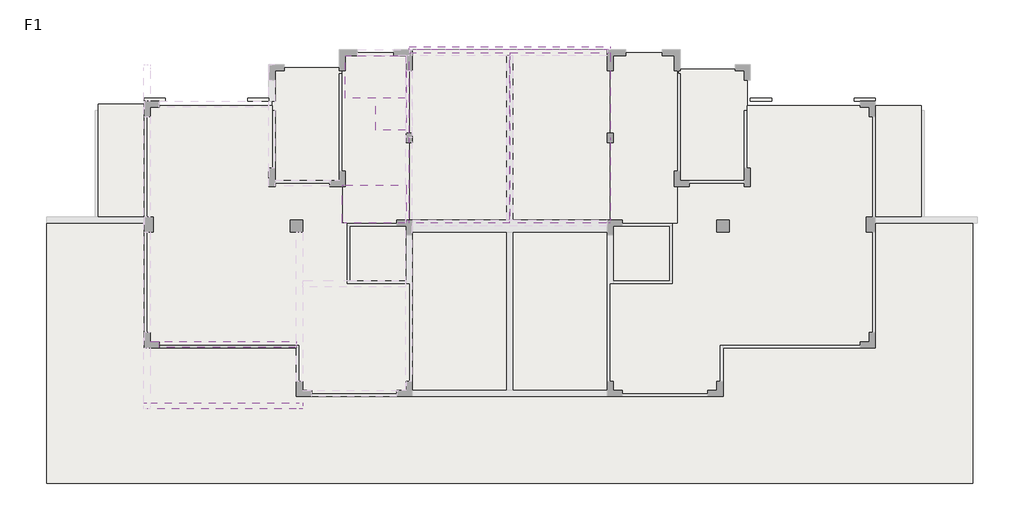
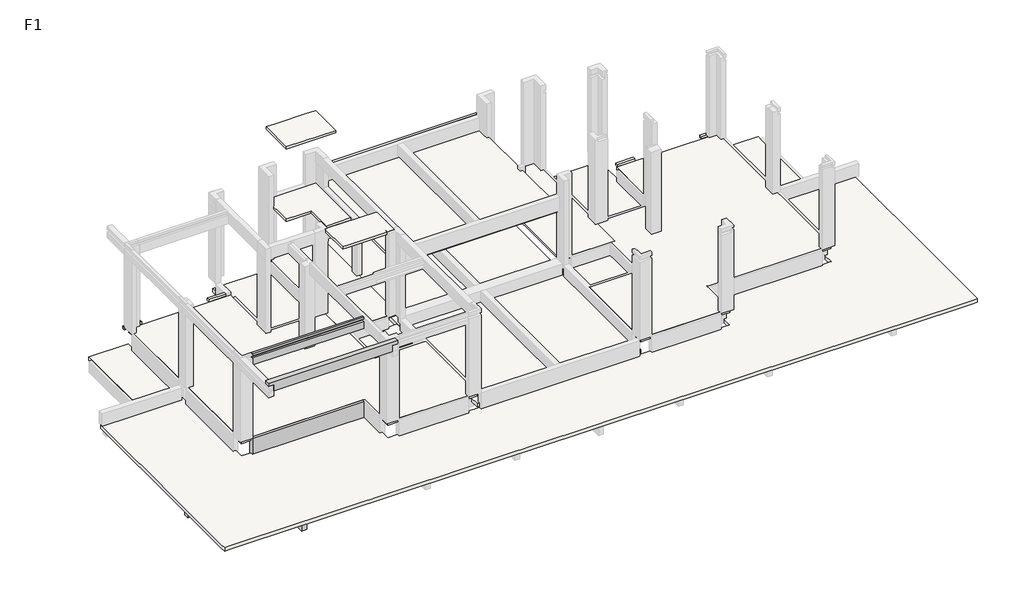
# One storey, part 1 of 4: 19 slabs, 5 beams.
"""IFC4 building model written with IfcOpenShell, lengths in millimetres."""

from ifc_helpers import new_model, si_unit, frame, origin, place, context, project, spatial, polyline, outline, extrude, faceted_brep, element, save

model = new_model("IFC4")

# Units and contexts
model_context = context("Model", 3, world=origin())
ifc_project = project(units=[si_unit("LENGTHUNIT", "METRE", prefix="MILLI")], contexts=[model_context])

# Site, building, storey
site = spatial("IfcSite", under=ifc_project)
building = spatial("IfcBuilding", under=site)
storey = spatial("IfcBuildingStorey", under=building, Name="F1", Elevation=-40.0)

# Beams
placement = place(None, origin())
element("IfcBeam", 1, at=placement, inside=storey, context=model_context, shape_type="Brep", body=[
    faceted_brep([(-15967.9488808, -4448.8065585, -1220.0), (-15967.9488808, -1748.8070515, -1220.0), (-15967.9488808, -1548.8070515, -1220.0), (-15967.9488808, -148.812102, -1220.0), (-15967.9488808, -148.812102, -870.0), (-15967.9488808, -1548.8070515, -870.0), (-15967.9488808, -1748.8070515, -870.0), (-15967.9488808, -4448.8065585, -870.0), (-16167.9488808, -148.812102, -1220.0), (-16167.9488808, -4448.8065585, -1220.0), (-16167.9488808, -1748.8070515, -1220.0), (-16167.9488808, -1548.8070515, -1220.0), (-16167.9488808, -4448.8065585, -870.0), (-16167.9488808, -1748.8070515, -870.0), (-16167.9488808, -1548.8070515, -870.0), (-16167.9488808, -148.812102, -870.0)], [[[0, 1, 2, 3, 4, 5, 6, 7]], [[8, 3, 2, 1, 0, 9, 10, 11]], [[8, 11, 10, 9, 12, 13, 14, 15]], [[3, 8, 15, 4]], [[9, 0, 7, 12]], [[7, 6, 5, 4, 15, 14, 13, 12]]]),
])
element("IfcBeam", 2, at=placement, inside=storey, context=model_context, shape_type="SweptSolid", body=[
    extrude(outline(polyline([(-11167.9488808, -1548.8070515), (-11167.9488808, -1748.8070515), (-15967.9488808, -1748.8070515), (-15967.9488808, -1548.8070515), (-11167.9488808, -1548.8070515)])), frame((0.0, 0.0, -1220.0), z_axis=(0.0, 0.0, 1.0), x_axis=(1.0, 0.0, 0.0)), (0.0, 0.0, 1.0), 350.0),
    extrude(outline(polyline([(-16167.9488808, -1548.8070515), (-16167.9488808, -1748.8070515), (-19217.9488808, -1748.8070515), (-19217.9488808, -1548.8070515), (-16167.9488808, -1548.8070515)])), frame((0.0, 0.0, -1220.0), z_axis=(0.0, 0.0, 1.0), x_axis=(1.0, 0.0, 0.0)), (0.0, 0.0, 1.0), 350.0),
])
element("IfcBeam", 3, at=placement, inside=storey, context=model_context, shape_type="SweptSolid", body=[
    extrude(outline(polyline([(51.187898, -890.0), (-148.812102, -890.0), (-148.812102, -870.0), (-48.812102, -870.0), (-48.812102, -720.0), (-148.812102, -720.0), (-148.812102, -40.0), (-48.812102, -40.0), (-48.812102, -190.0), (51.187898, -190.0), (51.187898, -890.0)])), frame((-15667.9488808, 0.0, 0.0), z_axis=(1.0, 0.0, 0.0), x_axis=(0.0, 1.0, 0.0)), (0.0, 0.0, 1.0), 4500.0),
])
element("IfcBeam", 4, at=placement, inside=storey, context=model_context, shape_type="Brep", body=[
    faceted_brep([(-10967.9863851, -2148.3046203, 3700.0), (-10967.9863851, -1948.3046203, 3700.0), (-16172.1845793, -1948.3046203, 3700.0), (-16172.1845793, -2148.3046203, 3700.0), (-10967.9863851, -2148.3046203, 3560.0), (-16172.1845793, -2148.3046203, 3560.0), (-15972.1845793, -2148.3046203, 3560.0), (-15972.1845793, -2148.3046203, 3300.0), (-11167.9863851, -2148.3046203, 3300.0), (-11167.9863851, -2148.3046203, 3560.0), (-11167.9863851, -1948.3046203, 3300.0), (-15972.1845793, -1948.3046203, 3300.0), (-11167.9863851, -1948.3046203, 3380.0), (-15972.1845793, -1948.3046203, 3380.0), (-10967.9863851, -1948.3046203, 3560.0), (-11167.9863851, -1948.3046203, 3560.0), (-11167.9863851, -2048.3046203, 3380.0), (-11167.9863851, -2048.3046203, 3480.0), (-11167.9863851, -1948.3046203, 3480.0), (-15972.1845793, -2048.3046203, 3380.0), (-15972.1845793, -2048.3046203, 3480.0), (-15972.1845793, -1948.3046203, 3480.0), (-16172.1845793, -1948.3046203, 3560.0), (-15972.1845793, -1948.3046203, 3560.0)], [[[0, 1, 2, 3]], [[4, 0, 3, 5, 6, 7, 8, 9]], [[10, 8, 7, 11]], [[12, 10, 11, 13]], [[1, 0, 4, 14]], [[9, 15, 14, 4]], [[15, 9, 8, 10, 12, 16, 17, 18]], [[16, 12, 13, 19]], [[18, 17, 20, 21]], [[17, 16, 19, 20]], [[3, 2, 22, 5]], [[23, 6, 5, 22]], [[6, 23, 21, 20, 19, 13, 11, 7]], [[1, 14, 15, 18, 21, 23, 22, 2]]]),
])
element("IfcBeam", 5, ObjectType="KL7 200 x 480 mm", at=placement, inside=storey, context=model_context, shape_type="Brep", body=[
    faceted_brep([(-15667.9488808, -141.2496914, 3560.0), (-11167.9863851, -141.2496914, 3560.0), (-11167.9863851, -48.812102, 3560.0), (-15667.9488808, -48.812102, 3560.0), (-15667.9488808, -141.2496914, 3480.0), (-11167.9863851, -141.2496914, 3480.0), (-15667.9488808, -48.812102, 3480.0), (-11167.9863851, -48.812102, 3480.0)], [[[0, 1, 2, 3]], [[1, 0, 4, 5]], [[4, 0, 3, 6]], [[5, 4, 6, 7]], [[3, 2, 7, 6]], [[1, 5, 7, 2]]]),
    faceted_brep([(-15667.9488808, 51.187898, 3080.0), (-15967.9488808, 51.187898, 3080.0), (-15967.9488808, 58.7503086, 3080.0), (-11167.9863851, 58.7503086, 3080.0), (-11167.9863851, -141.2496914, 3080.0), (-15667.9488808, -141.2496914, 3080.0), (-15967.9488808, 58.7503086, 3460.0), (-11167.9863851, 58.7503086, 3460.0), (-15967.9488808, 51.187898, 3460.0), (-15667.9488808, 51.187898, 3460.0), (-11167.9863851, -48.812102, 3460.0), (-11167.9863851, -48.812102, 3380.0), (-11167.9863851, -141.2496914, 3380.0), (-15667.9488808, -48.812102, 3380.0), (-15667.9488808, -141.2496914, 3380.0), (-15667.9488808, -48.812102, 3460.0)], [[[0, 1, 2, 3, 4, 5]], [[3, 2, 6, 7]], [[2, 1, 8, 6]], [[1, 0, 9, 8]], [[4, 3, 7, 10, 11, 12]], [[11, 13, 14, 12]], [[13, 11, 10, 15]], [[5, 4, 12, 14]], [[7, 6, 8, 9, 15, 10]], [[0, 5, 14, 13, 15, 9]]]),
])

# Slabs
element("IfcSlab", 6, at=placement, inside=storey, context=model_context, shape_type="SweptSolid", body=[
    extrude(outline(polyline([(-867.9488808, 9651.9441425), (-7468.0210684, 9651.9441425), (-7468.0210684, 9751.187898), (-867.9488808, 9751.187898), (-867.9488808, 9651.9441425)])), frame((0.0, 0.0, 2600.0), z_axis=(0.0, 0.0, 1.0), x_axis=(1.0, 0.0, 0.0)), (0.0, 0.0, 1.0), 100.0),
])
element("IfcSlab", 7, ObjectType="B-100", at=placement, inside=storey, context=model_context, shape_type="SweptSolid", body=[
    extrude(outline(polyline([(-15467.9082317, 7951.187898), (-16167.9082317, 7951.187898), (-16167.9082317, 8051.187898), (-15467.9082317, 8051.187898), (-15467.9082317, 7951.187898)])), frame((0.0, 0.0, -140.0), z_axis=(0.0, 0.0, 1.0), x_axis=(1.0, 0.0, 0.0)), (0.0, 0.0, 1.0), 100.0),
])
element("IfcSlab", 8, ObjectType="B-100", at=placement, inside=storey, context=model_context, shape_type="SweptSolid", body=[
    extrude(outline(polyline([(-12767.91002, 7951.192951), (-12767.91002, 8051.192951), (-12067.91002, 8051.192951), (-12067.91002, 7951.192951), (-12767.91002, 7951.192951)])), frame((0.0, 0.0, -140.0), z_axis=(0.0, 0.0, 1.0), x_axis=(1.0, 0.0, 0.0)), (0.0, 0.0, 1.0), 100.0),
])
element("IfcSlab", 9, ObjectType="B-100", at=placement, inside=storey, context=model_context, shape_type="SweptSolid", body=[
    extrude(outline(polyline([(7132.0104701, 7951.187898), (7132.0104701, 8051.187898), (7832.0104701, 8051.187898), (7832.0104701, 7951.187898), (7132.0104701, 7951.187898)])), frame((0.0, 0.0, -140.0), z_axis=(0.0, 0.0, 1.0), x_axis=(1.0, 0.0, 0.0)), (0.0, 0.0, 1.0), 100.0),
])
element("IfcSlab", 10, ObjectType="B-100", at=placement, inside=storey, context=model_context, shape_type="SweptSolid", body=[
    extrude(outline(polyline([(4432.0122585, 7951.192951), (3732.0122585, 7951.192951), (3732.0122585, 8051.192951), (4432.0122585, 8051.192951), (4432.0122585, 7951.192951)])), frame((0.0, 0.0, -140.0), z_axis=(0.0, 0.0, 1.0), x_axis=(1.0, 0.0, 0.0)), (0.0, 0.0, 1.0), 100.0),
])
element("IfcSlab", 11, ObjectType="B-100", at=placement, inside=storey, context=model_context, shape_type="Brep", body=[
    faceted_brep([(-7467.9488808, 9551.187898, -140.0), (-7467.9488808, 9451.1929646, -140.0), (-7467.9488808, 8951.187898, -140.0), (-7467.9488808, 3951.187898, -140.0), (-7567.9488808, 3951.187898, -140.0), (-7867.9118706, 3951.187898, -140.0), (-9517.9507841, 3951.187898, -140.0), (-9667.9488808, 3951.187898, -140.0), (-9667.9488808, 4051.187898, -140.0), (-9667.9488808, 5151.187898, -140.0), (-9667.9488808, 5251.187898, -140.0), (-9667.9488808, 5651.187898, -140.0), (-9667.9488808, 8851.1979012, -140.0), (-9667.9488808, 8951.187898, -140.0), (-9667.9488808, 9551.187898, -140.0), (-9567.9488808, 9551.187898, -140.0), (-7467.9488808, 9551.187898, -40.0), (-9567.9488808, 9551.187898, -40.0), (-9667.9488808, 9551.187898, -40.0), (-9667.9488808, 8951.187898, -40.0), (-9667.9488808, 8851.1979012, -40.0), (-9667.9488808, 5651.187898, -40.0), (-9667.9488808, 5251.187898, -40.0), (-9667.9488808, 3951.187898, -40.0), (-9517.9507841, 3951.187898, -40.0), (-7867.9118706, 3951.187898, -40.0), (-7567.9488808, 3951.187898, -40.0), (-7467.9488808, 3951.187898, -40.0), (-7467.9488808, 8951.187898, -40.0), (-7467.9488808, 9451.1929646, -40.0)], [[[0, 1, 2, 3, 4, 5, 6, 7, 8, 9, 10, 11, 12, 13, 14, 15]], [[16, 17, 18, 19, 20, 21, 22, 23, 24, 25, 26, 27, 28, 29]], [[3, 2, 1, 0, 16, 29, 28, 27]], [[7, 6, 5, 4, 3, 27, 26, 25, 24, 23]], [[14, 13, 12, 11, 10, 9, 8, 7, 23, 22, 21, 20, 19, 18]], [[0, 15, 14, 18, 17, 16]]]),
    faceted_brep([(1332.0511192, 9551.187898, -140.0), (1332.0511192, 9451.1929646, -140.0), (1332.0511192, 8951.187898, -140.0), (1332.0511192, 8851.1979011, -140.0), (1332.0511192, 5651.187898, -140.0), (1332.0511192, 5251.187898, -140.0), (1332.0511192, 5151.187898, -140.0), (1332.0511192, 4051.187898, -140.0), (1332.0511192, 3951.187898, -140.0), (1181.9808349, 3951.187898, -140.0), (-467.985891, 3951.187898, -140.0), (-767.8766931, 3951.187898, -140.0), (-867.9488808, 3951.187898, -140.0), (-867.9488808, 8951.187898, -140.0), (-867.9488808, 9451.1929646, -140.0), (-867.9488808, 9551.187898, -140.0), (1332.0511192, 9551.187898, -40.0), (-867.9488808, 9551.187898, -40.0), (-867.9488808, 9451.1929646, -40.0), (-867.9488808, 8951.187898, -40.0), (-867.9488808, 3951.187898, -40.0), (-767.8766931, 3951.187898, -40.0), (-467.985891, 3951.187898, -40.0), (1181.9808349, 3951.187898, -40.0), (1332.0511192, 3951.187898, -40.0), (1332.0511192, 5251.187898, -40.0), (1332.0511192, 5651.187898, -40.0), (1332.0511192, 8851.1979011, -40.0), (1332.0511192, 8951.187898, -40.0), (1332.0511192, 9451.1929646, -40.0)], [[[0, 1, 2, 3, 4, 5, 6, 7, 8, 9, 10, 11, 12, 13, 14, 15]], [[16, 17, 18, 19, 20, 21, 22, 23, 24, 25, 26, 27, 28, 29]], [[8, 7, 6, 5, 4, 3, 2, 1, 0, 16, 29, 28, 27, 26, 25, 24]], [[12, 11, 10, 9, 8, 24, 23, 22, 21, 20]], [[15, 14, 13, 12, 20, 19, 18, 17]], [[0, 15, 17, 16]]]),
])
element("IfcSlab", 12, ObjectType="B-100", at=placement, inside=storey, context=model_context, shape_type="Brep", body=[
    faceted_brep([(-7568.0210684, 9451.187898, 2110.0), (-7568.0210684, 7011.187898, 2110.0), (-8568.0210684, 7011.187898, 2110.0), (-8568.0210684, 8061.187898, 2110.0), (-9568.0210684, 8061.187898, 2110.0), (-9568.0210684, 9451.187898, 2110.0), (-7568.0210684, 9451.187898, 2210.0), (-9154.7849746, 9451.187898, 2210.0), (-9568.0210684, 9451.187898, 2210.0), (-9568.0210684, 8061.187898, 2210.0), (-8568.0210684, 8061.187898, 2210.0), (-8568.0210684, 7011.187898, 2210.0), (-7568.0210684, 7011.187898, 2210.0)], [[[0, 1, 2, 3, 4, 5]], [[6, 7, 8, 9, 10, 11, 12]], [[1, 0, 6, 12]], [[2, 1, 12, 11]], [[3, 2, 11, 10]], [[4, 3, 10, 9]], [[5, 4, 9, 8]], [[0, 5, 8, 7, 6]]]),
])
element("IfcSlab", 13, ObjectType="B-100", at=placement, inside=storey, context=model_context, shape_type="Brep", body=[
    faceted_brep([(-9667.9488808, 5191.187898, 3460.0), (-9567.9488808, 5191.187898, 3460.0), (-7576.6077811, 5191.187898, 3460.0), (-7568.0210684, 5191.187898, 3460.0), (-7568.0210684, 4058.7452581, 3460.0), (-7568.0210684, 3951.187898, 3460.0), (-7576.6077811, 3951.187898, 3460.0), (-9517.9507841, 3951.187898, 3460.0), (-9667.9488808, 3951.187898, 3460.0), (-9667.9488808, 5151.187898, 3460.0), (-9667.9488808, 5191.187898, 3560.0), (-9667.9488808, 5151.187898, 3560.0), (-9667.9488808, 3951.187898, 3560.0), (-9517.9507841, 3951.187898, 3560.0), (-7576.6077811, 3951.187898, 3560.0), (-7568.0210684, 3951.187898, 3560.0), (-7568.0210684, 4058.7452581, 3560.0), (-7568.0210684, 5191.187898, 3560.0), (-7576.6077811, 5191.187898, 3560.0), (-9567.9488808, 5191.187898, 3560.0)], [[[0, 1, 2, 3, 4, 5, 6, 7, 8, 9]], [[10, 11, 12, 13, 14, 15, 16, 17, 18, 19]], [[3, 2, 1, 0, 10, 19, 18, 17]], [[5, 4, 3, 17, 16, 15]], [[8, 7, 6, 5, 15, 14, 13, 12]], [[0, 9, 8, 12, 11, 10]]]),
])
element("IfcSlab", 14, ObjectType="B-100", at=placement, inside=storey, context=model_context, shape_type="Brep", body=[
    faceted_brep([(-7576.6077811, 9451.187898, 5210.0), (-7576.6077811, 8051.187898, 5210.0), (-9567.9488808, 8051.187898, 5210.0), (-9567.9488808, 9451.187898, 5210.0), (-7576.6077811, 9451.187898, 5310.0), (-7968.0210684, 9451.187898, 5310.0), (-9167.9488808, 9451.187898, 5310.0), (-9567.9488808, 9451.187898, 5310.0), (-9567.9488808, 8051.187898, 5310.0), (-7576.6077811, 8051.187898, 5310.0)], [[[0, 1, 2, 3]], [[4, 5, 6, 7, 8, 9]], [[1, 0, 4, 9]], [[2, 1, 9, 8]], [[3, 2, 8, 7]], [[0, 3, 7, 6, 5, 4]]]),
])
element("IfcSlab", 15, ObjectType="B-130", at=placement, inside=storey, context=model_context, shape_type="Brep", body=[
    faceted_brep([(-4167.9488808, 9551.187898, 2000.0), (-4167.9488808, 3951.187898, 2000.0), (-7467.9488808, 3951.187898, 2000.0), (-7467.9488808, 4113.8929483, 2000.0), (-7467.9488808, 6601.1640579, 2000.0), (-7467.9488808, 6901.1640579, 2000.0), (-7467.9488808, 8951.187898, 2000.0), (-7467.9488808, 9551.187898, 2000.0), (-4167.9488808, 9551.187898, 2130.0), (-7467.9488808, 9551.187898, 2130.0), (-7467.9488808, 8951.187898, 2130.0), (-7467.9488808, 6901.1640579, 2130.0), (-7467.9488808, 6601.1640579, 2130.0), (-7467.9488808, 4113.8929483, 2130.0), (-7467.9488808, 3951.187898, 2130.0), (-4167.9488808, 3951.187898, 2130.0)], [[[0, 1, 2, 3, 4, 5, 6, 7]], [[8, 9, 10, 11, 12, 13, 14, 15]], [[1, 0, 8, 15]], [[2, 1, 15, 14]], [[7, 6, 5, 4, 3, 2, 14, 13, 12, 11, 10, 9]], [[0, 7, 9, 8]]]),
])
element("IfcSlab", 16, ObjectType="B-130", at=placement, inside=storey, context=model_context, shape_type="Brep", body=[
    faceted_brep([(-4167.9488808, 9551.187898, 2000.0), (-967.8766931, 9551.187898, 2000.0), (-867.9488808, 9551.187898, 2000.0), (-867.9488808, 8951.187898, 2000.0), (-867.9488808, 6758.7452581, 2000.0), (-867.9488808, 6751.187898, 2000.0), (-867.9488808, 6601.1640579, 2000.0), (-867.9488808, 4113.8929483, 2000.0), (-867.9488808, 3951.187898, 2000.0), (-4167.9488808, 3951.187898, 2000.0), (-4167.9488808, 9551.187898, 2130.0), (-4167.9488808, 4058.7452581, 2130.0), (-4167.9488808, 3951.187898, 2130.0), (-980.8203823, 3951.187898, 2130.0), (-867.9488808, 3951.187898, 2130.0), (-867.9488808, 4113.8929483, 2130.0), (-867.9488808, 6601.1640579, 2130.0), (-867.9488808, 6751.187898, 2130.0), (-867.9488808, 6758.7452581, 2130.0), (-867.9488808, 8951.187898, 2130.0), (-867.9488808, 9551.187898, 2130.0), (-967.8766931, 9551.187898, 2130.0), (-4167.9488808, 3951.187898, 2100.0)], [[[0, 1, 2, 3, 4, 5, 6, 7, 8, 9]], [[10, 11, 12, 13, 14, 15, 16, 17, 18, 19, 20, 21]], [[0, 9, 22, 12, 11, 10]], [[9, 8, 14, 13, 12, 22]], [[8, 7, 6, 5, 4, 3, 2, 20, 19, 18, 17, 16, 15, 14]], [[2, 1, 0, 10, 21, 20]]]),
])
element("IfcSlab", 17, ObjectType="B-150", at=placement, inside=storey, context=model_context, shape_type="Brep", body=[
    faceted_brep([(-19367.9488808, -4598.8065585, -870.0), (-19367.9488808, -4348.812102, -870.0), (-19367.9488808, -1648.8070515, -870.0), (-19367.9488808, -1335.148014, -870.0), (-19367.9488808, 3961.192951, -870.0), (-19367.9488808, 4051.187898, -870.0), (-19217.9377846, 4051.187898, -870.0), (-17667.9488808, 4051.187898, -870.0), (-17667.9488808, 4151.187898, -870.0), (-17667.9488808, 7651.192951, -870.0), (-17667.9488808, 7850.9430717, -870.0), (-16067.9488808, 7850.9430717, -870.0), (-16067.9488808, 7651.192951, -870.0), (-16067.9488808, 7451.1929485, -870.0), (-16067.9488808, 4151.1929535, -870.0), (-16067.9488808, 3651.1929535, -870.0), (-16067.9488808, 351.187898, -870.0), (-16067.9488808, -48.812102, -870.0), (-15667.9488808, -48.812102, -870.0), (-11167.9488808, -48.812102, -870.0), (-11067.9488808, -48.812102, -870.0), (-11067.9488808, -1248.8070515, -870.0), (-11067.9488808, -1649.306805, -870.0), (-10667.9488808, -1649.306805, -870.0), (-7867.9488808, -1649.306805, -870.0), (-7367.9488808, -1649.306805, -870.0), (-4267.9488808, -1649.306805, -870.0), (-4067.9488808, -1649.306805, -870.0), (-967.9488808, -1649.306805, -870.0), (-467.9488808, -1649.306805, -870.0), (2332.0511192, -1649.306805, -870.0), (2732.0511192, -1649.306805, -870.0), (2732.0511192, -1248.8070515, -870.0), (2732.0511192, -98.0569283, -870.0), (2832.0511192, -98.0569283, -870.0), (7332.0511192, -98.0569283, -870.0), (7732.0511192, -98.0569283, -870.0), (7732.0511192, 351.187898, -870.0), (7732.0511192, 3651.1929535, -870.0), (7732.0511192, 4151.1929535, -870.0), (7732.0511192, 7451.1929485, -870.0), (7732.0511192, 7651.1929484, -870.0), (7732.0511192, 7801.1929484, -870.0), (9332.0511192, 7801.1929484, -870.0), (9332.0511192, 7651.1929484, -870.0), (9332.0511192, 4151.187898, -870.0), (9332.0511192, 4051.187898, -870.0), (10882.040023, 4051.187898, -870.0), (11032.0511192, 4051.187898, -870.0), (11032.0511192, 3951.1929535, -870.0), (11032.0511192, -1335.148014, -870.0), (11032.0511192, -1735.148014, -870.0), (11032.0511192, -4548.812102, -870.0), (11032.0511192, -4598.8065585, -870.0), (10882.0511192, -4598.8065585, -870.0), (7957.0511192, -4598.8065585, -870.0), (7507.0511192, -4598.8065585, -870.0), (2957.0511192, -4598.8065585, -870.0), (2507.0511192, -4598.8065585, -870.0), (-642.9488808, -4598.8065585, -870.0), (-1092.9488808, -4598.8065585, -870.0), (-7242.9488808, -4598.8065585, -870.0), (-7692.9488808, -4598.8065585, -870.0), (-10842.9488808, -4598.8065585, -870.0), (-11292.9488808, -4598.8065585, -870.0), (-15842.9488808, -4598.8065585, -870.0), (-16292.9488808, -4598.8065585, -870.0), (-19217.9488808, -4598.8065585, -870.0), (-19367.9488808, -4598.8065585, -720.0), (-19217.9488808, -4598.8065585, -720.0), (-16292.9488808, -4598.8065585, -720.0), (-15842.9488808, -4598.8065585, -720.0), (-11292.9488808, -4598.8065585, -720.0), (-10842.9488808, -4598.8065585, -720.0), (-7692.9488808, -4598.8065585, -720.0), (-7242.9488808, -4598.8065585, -720.0), (-1092.9488808, -4598.8065585, -720.0), (-642.9488808, -4598.8065585, -720.0), (2507.0511192, -4598.8065585, -720.0), (2957.0511192, -4598.8065585, -720.0), (7507.0511192, -4598.8065585, -720.0), (7957.0511192, -4598.8065585, -720.0), (10882.0511192, -4598.8065585, -720.0), (11032.0511192, -4598.8065585, -720.0), (11032.0511192, -4548.812102, -720.0), (11032.0511192, -1735.148014, -720.0), (11032.0511192, -1335.148014, -720.0), (11032.0511192, 3951.1929535, -720.0), (11032.0511192, 4051.187898, -720.0), (10882.040023, 4051.187898, -720.0), (9332.0511192, 4051.187898, -720.0), (9332.0511192, 4151.187898, -720.0), (9332.0511192, 7651.1929484, -720.0), (9332.0511192, 7801.1929484, -720.0), (7732.0511192, 7801.1929484, -720.0), (7732.0511192, 7651.1929484, -720.0), (7732.0511192, 7451.1929485, -720.0), (7732.0511192, 4151.1929535, -720.0), (7732.0511192, 3651.1929535, -720.0), (7732.0511192, 351.187898, -720.0), (7732.0511192, -98.0569283, -720.0), (7332.0511192, -98.0569283, -720.0), (2832.0511192, -98.0569283, -720.0), (2732.0511192, -98.0569283, -720.0), (2732.0511192, -1248.8070515, -720.0), (2732.0511192, -1649.306805, -720.0), (2332.0511192, -1649.306805, -720.0), (-467.9488808, -1649.306805, -720.0), (-967.9488808, -1649.306805, -720.0), (-7367.9488808, -1649.306805, -720.0), (-7867.9488808, -1649.306805, -720.0), (-10667.9488808, -1649.306805, -720.0), (-11067.9488808, -1649.306805, -720.0), (-11067.9488808, -1248.8070515, -720.0), (-11067.9488808, -48.812102, -720.0), (-11167.9488808, -48.812102, -720.0), (-15667.9488808, -48.812102, -720.0), (-16067.9488808, -48.812102, -720.0), (-16067.9488808, 351.187898, -720.0), (-16067.9488808, 3651.1929535, -720.0), (-16067.9488808, 4151.1929535, -720.0), (-16067.9488808, 7451.1929485, -720.0), (-16067.9488808, 7651.192951, -720.0), (-16067.9488808, 7850.9430717, -720.0), (-17667.9488808, 7850.9430717, -720.0), (-17667.9488808, 7651.192951, -720.0), (-17667.9488808, 4151.187898, -720.0), (-17667.9488808, 4051.187898, -720.0), (-19217.9377846, 4051.187898, -720.0), (-19367.9488808, 4051.187898, -720.0), (-19367.9488808, 3961.192951, -720.0), (-19367.9488808, -1335.148014, -720.0), (-19367.9488808, -1648.8070515, -720.0), (-19367.9488808, -4348.812102, -720.0)], [[[0, 1, 2, 3, 4, 5, 6, 7, 8, 9, 10, 11, 12, 13, 14, 15, 16, 17, 18, 19, 20, 21, 22, 23, 24, 25, 26, 27, 28, 29, 30, 31, 32, 33, 34, 35, 36, 37, 38, 39, 40, 41, 42, 43, 44, 45, 46, 47, 48, 49, 50, 51, 52, 53, 54, 55, 56, 57, 58, 59, 60, 61, 62, 63, 64, 65, 66, 67]], [[68, 69, 70, 71, 72, 73, 74, 75, 76, 77, 78, 79, 80, 81, 82, 83, 84, 85, 86, 87, 88, 89, 90, 91, 92, 93, 94, 95, 96, 97, 98, 99, 100, 101, 102, 103, 104, 105, 106, 107, 108, 109, 110, 111, 112, 113, 114, 115, 116, 117, 118, 119, 120, 121, 122, 123, 124, 125, 126, 127, 128, 129, 130, 131, 132, 133]], [[5, 4, 3, 2, 1, 0, 68, 133, 132, 131, 130, 129]], [[11, 10, 124, 123]], [[17, 16, 15, 14, 13, 12, 11, 123, 122, 121, 120, 119, 118, 117]], [[20, 19, 18, 17, 117, 116, 115, 114]], [[22, 21, 20, 114, 113, 112]], [[31, 30, 29, 28, 27, 26, 25, 24, 23, 22, 112, 111, 110, 109, 108, 107, 106, 105]], [[33, 32, 31, 105, 104, 103]], [[36, 35, 34, 33, 103, 102, 101, 100]], [[42, 41, 40, 39, 38, 37, 36, 100, 99, 98, 97, 96, 95, 94]], [[53, 52, 51, 50, 49, 48, 88, 87, 86, 85, 84, 83]], [[0, 67, 66, 65, 64, 63, 62, 61, 60, 59, 58, 57, 56, 55, 54, 53, 83, 82, 81, 80, 79, 78, 77, 76, 75, 74, 73, 72, 71, 70, 69, 68]], [[7, 6, 5, 129, 128, 127]], [[10, 9, 8, 7, 127, 126, 125, 124]], [[43, 42, 94, 93]], [[46, 45, 44, 43, 93, 92, 91, 90]], [[48, 47, 46, 90, 89, 88]]]),
])
element("IfcSlab", 18, ObjectType="B-150", at=placement, inside=storey, context=model_context, shape_type="Brep", body=[
    faceted_brep([(-867.9488808, 9651.187898, -670.0), (-867.9488808, 9451.1929646, -670.0), (-867.9488808, 8951.187898, -670.0), (-867.9488808, 1951.187898, -670.0), (-867.9488808, -1248.812102, -670.0), (-867.9488808, -1648.0607162, -670.0), (-967.9488808, -1648.0607162, -670.0), (-7367.9488808, -1648.0607162, -670.0), (-7468.0210684, -1648.0607162, -670.0), (-7468.0210684, -1248.812102, -670.0), (-7468.0210684, 1951.187898, -670.0), (-7468.0210684, 8951.187898, -670.0), (-7468.0210684, 9451.1929646, -670.0), (-7468.0210684, 9651.187898, -670.0), (-867.9488808, 9651.187898, -520.0), (-7468.0210684, 9651.187898, -520.0), (-7468.0210684, 9451.1929646, -520.0), (-7468.0210684, 8951.187898, -520.0), (-7468.0210684, 1951.187898, -520.0), (-7468.0210684, -1248.812102, -520.0), (-7468.0210684, -1648.0607162, -520.0), (-7367.9488808, -1648.0607162, -520.0), (-967.9488808, -1648.0607162, -520.0), (-867.9488808, -1648.0607162, -520.0), (-867.9488808, -1248.812102, -520.0), (-867.9488808, 1951.187898, -520.0), (-867.9488808, 8951.187898, -520.0), (-867.9488808, 9451.1929646, -520.0)], [[[0, 1, 2, 3, 4, 5, 6, 7, 8, 9, 10, 11, 12, 13]], [[14, 15, 16, 17, 18, 19, 20, 21, 22, 23, 24, 25, 26, 27]], [[5, 4, 3, 2, 1, 0, 14, 27, 26, 25, 24, 23]], [[8, 7, 6, 5, 23, 22, 21, 20]], [[13, 12, 11, 10, 9, 8, 20, 19, 18, 17, 16, 15]], [[0, 13, 15, 14]]]),
])
element("IfcSlab", 19, ObjectType="B-150", at=placement, inside=storey, context=model_context, shape_type="Brep", body=[
    faceted_brep([(-7467.9488808, 3951.187898, -670.0), (-7467.9488808, 1951.187898, -670.0), (-7567.9488808, 1951.187898, -670.0), (-9517.9507841, 1951.187898, -670.0), (-9517.9507841, 3951.187898, -670.0), (-7467.9488808, 3951.187898, -520.0), (-7867.9118706, 3951.187898, -520.0), (-9517.9507841, 3951.187898, -520.0), (-9517.9507841, 3851.187898, -520.0), (-9517.9507841, 2051.187898, -520.0), (-9517.9507841, 1951.187898, -520.0), (-7567.9488808, 1951.187898, -520.0), (-7467.9488808, 1951.187898, -520.0), (-9517.9507841, 1951.187898, -640.0), (-9517.9507841, 3951.187898, -640.0)], [[[0, 1, 2, 3, 4]], [[5, 6, 7, 8, 9, 10, 11, 12]], [[1, 0, 5, 12]], [[3, 2, 1, 12, 11, 10, 13]], [[4, 3, 13, 10, 9, 8, 7, 14]], [[0, 4, 14, 7, 6, 5]]]),
])
element("IfcSlab", 20, ObjectType="B-150", at=placement, inside=storey, context=model_context, shape_type="Brep", body=[
    faceted_brep([(1182.0530225, 3950.9392838, -670.0), (1182.0530225, 1951.187898, -670.0), (-767.9488808, 1951.187898, -670.0), (-867.9488808, 1951.187898, -670.0), (-867.9488808, 3950.9392838, -670.0), (-767.8766931, 3950.9392838, -670.0), (-467.985891, 3950.9392838, -670.0), (1182.0530225, 3950.9392838, -520.0), (-467.985891, 3950.9392838, -520.0), (-767.8766931, 3950.9392838, -520.0), (-867.9488808, 3950.9392838, -520.0), (-867.9488808, 1951.187898, -520.0), (-767.9488808, 1951.187898, -520.0), (1182.0530225, 1951.187898, -520.0), (1182.0530225, 2051.187898, -520.0), (1182.0530225, 3851.187898, -520.0), (1182.0530225, 3950.9392838, -640.0), (1182.0530225, 1951.187898, -640.0)], [[[0, 1, 2, 3, 4, 5, 6]], [[7, 8, 9, 10, 11, 12, 13, 14, 15]], [[1, 0, 16, 7, 15, 14, 13, 17]], [[3, 2, 1, 17, 13, 12, 11]], [[4, 3, 11, 10]], [[0, 6, 5, 4, 10, 9, 8, 7, 16]]]),
])
element("IfcSlab", 21, ObjectType="B-150", at=placement, inside=storey, context=model_context, shape_type="Brep", body=[
    faceted_brep([(3632.0511192, 9001.1979011, -670.0), (3632.0511192, 8851.1979011, -670.0), (3632.0511192, 8651.1979011, -670.0), (3632.0511192, 5751.187898, -670.0), (3632.0511192, 5251.187898, -670.0), (3532.0511192, 5251.187898, -670.0), (2832.0511192, 5251.187898, -670.0), (2632.0511192, 5251.187898, -670.0), (1732.0511192, 5251.187898, -670.0), (1382.0141323, 5251.187898, -670.0), (1382.0141323, 5651.187898, -670.0), (1382.0141323, 8951.187898, -670.0), (1382.0141323, 9001.1979011, -670.0), (1432.0511192, 9001.1979011, -670.0), (3632.0511192, 9001.1979011, -520.0), (1432.0511192, 9001.1979011, -520.0), (1382.0141323, 9001.1979011, -520.0), (1382.0141323, 8951.187898, -520.0), (1382.0141323, 8851.1979011, -520.0), (1382.0141323, 5651.187898, -520.0), (1382.0141323, 5251.187898, -520.0), (1732.0511192, 5251.187898, -520.0), (3532.0511192, 5251.187898, -520.0), (3632.0511192, 5251.187898, -520.0), (3632.0511192, 5751.187898, -520.0), (3632.0511192, 7651.1929484, -520.0), (3632.0511192, 8651.1979011, -520.0), (3632.0511192, 8851.1979011, -520.0)], [[[0, 1, 2, 3, 4, 5, 6, 7, 8, 9, 10, 11, 12, 13]], [[14, 15, 16, 17, 18, 19, 20, 21, 22, 23, 24, 25, 26, 27]], [[4, 3, 2, 1, 0, 14, 27, 26, 25, 24, 23]], [[9, 8, 7, 6, 5, 4, 23, 22, 21, 20]], [[12, 11, 10, 9, 20, 19, 18, 17, 16]], [[0, 13, 12, 16, 15, 14]]]),
])
element("IfcSlab", 22, ObjectType="B-150", at=placement, inside=storey, context=model_context, shape_type="Brep", body=[
    faceted_brep([(-9667.9488808, 9051.1979011, -670.0), (-9667.9488808, 8951.187898, -670.0), (-9667.9488808, 5651.187898, -670.0), (-9667.9488808, 5251.187898, -670.0), (-10067.9488808, 5251.187898, -670.0), (-10967.9488808, 5251.187898, -670.0), (-11167.9488808, 5251.187898, -670.0), (-11867.9488808, 5251.187898, -670.0), (-11967.9488808, 5251.187898, -670.0), (-11967.9488808, 5751.187898, -670.0), (-11967.9488808, 8651.1979011, -670.0), (-11967.9488808, 8851.1979012, -670.0), (-11967.9488808, 9051.1979011, -670.0), (-9767.9488808, 9051.1979011, -670.0), (-9667.9488808, 9051.1979011, -520.0), (-9767.9488808, 9051.1979011, -520.0), (-11967.9488808, 9051.1979011, -520.0), (-11967.9488808, 8851.1979012, -520.0), (-11967.9488808, 8651.1979011, -520.0), (-11967.9488808, 7951.192951, -520.0), (-11967.9488808, 7651.192951, -520.0), (-11967.9488808, 5751.187898, -520.0), (-11967.9488808, 5251.187898, -520.0), (-11867.9488808, 5251.187898, -520.0), (-10067.9488808, 5251.187898, -520.0), (-9667.9488808, 5251.187898, -520.0), (-9667.9488808, 5651.187898, -520.0), (-9667.9488808, 8851.1979012, -520.0), (-9667.9488808, 8951.187898, -520.0)], [[[0, 1, 2, 3, 4, 5, 6, 7, 8, 9, 10, 11, 12, 13]], [[14, 15, 16, 17, 18, 19, 20, 21, 22, 23, 24, 25, 26, 27, 28]], [[3, 2, 1, 0, 14, 28, 27, 26, 25]], [[8, 7, 6, 5, 4, 3, 25, 24, 23, 22]], [[12, 11, 10, 9, 8, 22, 21, 20, 19, 18, 17, 16]], [[0, 13, 12, 16, 15, 14]]]),
])
element("IfcSlab", 23, ObjectType="B-150", at=placement, inside=storey, context=model_context, shape_type="Brep", body=[
    faceted_brep([(-16067.9488808, -48.812102, -190.0), (-16067.9488808, 351.187898, -190.0), (-16067.9488808, 3651.1929535, -190.0), (-16067.9488808, 4151.1929535, -190.0), (-16067.9488808, 7451.1929485, -190.0), (-16067.9488808, 7651.192951, -190.0), (-16067.9488808, 7801.192951, -190.0), (-11967.9488808, 7801.192951, -190.0), (-11967.9488808, 7651.192951, -190.0), (-11967.9488808, 5751.187898, -190.0), (-11967.9488808, 5251.187898, -190.0), (-11867.9488808, 5251.187898, -190.0), (-10067.9488808, 5251.187898, -190.0), (-9667.9488808, 5251.187898, -190.0), (-9667.9488808, 5151.187898, -190.0), (-9667.9488808, 4051.187898, -190.0), (-9667.9488808, 3951.187898, -190.0), (-9517.9507841, 3951.187898, -190.0), (-9517.9507841, 3851.187898, -190.0), (-9517.9507841, 2051.187898, -190.0), (-9517.9507841, 1951.187898, -190.0), (-7567.9488808, 1951.187898, -190.0), (-7467.9488808, 1951.187898, -190.0), (-7467.9488808, -1248.812102, -190.0), (-7467.9488808, -1648.3095768, -190.0), (-7867.9488808, -1648.3095768, -190.0), (-10667.9488808, -1648.3095768, -190.0), (-11067.9488808, -1648.3095768, -190.0), (-11067.9488808, -1248.8070515, -190.0), (-11067.9488808, -48.812102, -190.0), (-11167.9488808, -48.812102, -190.0), (-15667.9488808, -48.812102, -190.0), (-16067.9488808, -48.812102, -40.0), (-15667.9488808, -48.812102, -40.0), (-11167.9488808, -48.812102, -40.0), (-11067.9488808, -48.812102, -40.0), (-11067.9488808, -1248.8070515, -40.0), (-11067.9488808, -1648.3095768, -40.0), (-10667.9488808, -1648.3095768, -40.0), (-7867.9488808, -1648.3095768, -40.0), (-7467.9488808, -1648.3095768, -40.0), (-7467.9488808, -1248.812102, -40.0), (-7467.9488808, 1951.187898, -40.0), (-7567.9488808, 1951.187898, -40.0), (-9517.9507841, 1951.187898, -40.0), (-9517.9507841, 2051.187898, -40.0), (-9517.9507841, 3851.187898, -40.0), (-9517.9507841, 3951.187898, -40.0), (-9667.9488808, 3951.187898, -40.0), (-9667.9488808, 5251.187898, -40.0), (-10067.9488808, 5251.187898, -40.0), (-11867.9488808, 5251.187898, -40.0), (-11967.9488808, 5251.187898, -40.0), (-11967.9488808, 5751.187898, -40.0), (-11967.9488808, 7651.192951, -40.0), (-11967.9488808, 7801.192951, -40.0), (-16067.9488808, 7801.192951, -40.0), (-16067.9488808, 7451.1929485, -40.0), (-16067.9488808, 4151.1929535, -40.0), (-16067.9488808, 3651.1929535, -40.0), (-16067.9488808, 351.187898, -40.0), (-9667.9488808, 5251.187898, -140.0), (-9517.9507841, 3951.187898, -140.0), (-9667.9488808, 3951.187898, -140.0)], [[[0, 1, 2, 3, 4, 5, 6, 7, 8, 9, 10, 11, 12, 13, 14, 15, 16, 17, 18, 19, 20, 21, 22, 23, 24, 25, 26, 27, 28, 29, 30, 31]], [[32, 33, 34, 35, 36, 37, 38, 39, 40, 41, 42, 43, 44, 45, 46, 47, 48, 49, 50, 51, 52, 53, 54, 55, 56, 57, 58, 59, 60]], [[6, 5, 4, 3, 2, 1, 0, 32, 60, 59, 58, 57, 56]], [[7, 6, 56, 55]], [[10, 9, 8, 7, 55, 54, 53, 52]], [[13, 12, 11, 10, 52, 51, 50, 49, 61]], [[20, 19, 18, 17, 62, 47, 46, 45, 44]], [[22, 21, 20, 44, 43, 42]], [[24, 23, 22, 42, 41, 40]], [[27, 26, 25, 24, 40, 39, 38, 37]], [[29, 28, 27, 37, 36, 35]], [[0, 31, 30, 29, 35, 34, 33, 32]], [[16, 15, 14, 13, 61, 49, 48, 63]], [[17, 16, 63, 48, 47, 62]]]),
])
element("IfcSlab", 24, ObjectType="B-150", at=placement, inside=storey, context=model_context, shape_type="Brep", body=[
    faceted_brep([(7731.9789316, -48.812102, -190.0), (7332.0511192, -48.812102, -190.0), (2832.0511192, -48.812102, -190.0), (2731.9789316, -48.812102, -190.0), (2731.9789316, -1248.8070515, -190.0), (2731.9789316, -1648.3095768, -190.0), (2332.0511192, -1648.3095768, -190.0), (-467.9488808, -1648.3095768, -190.0), (-868.0210684, -1648.3095768, -190.0), (-868.0210684, -1248.812102, -190.0), (-868.0210684, 1951.187898, -190.0), (-767.9488808, 1951.187898, -190.0), (1181.9808349, 1951.187898, -190.0), (1181.9808349, 2051.187898, -190.0), (1181.9808349, 3851.187898, -190.0), (1181.9808349, 3951.187898, -190.0), (1332.0511192, 3951.187898, -190.0), (1332.0511192, 4051.187898, -190.0), (1332.0511192, 5151.187898, -190.0), (1332.0511192, 5251.187898, -190.0), (1732.0511192, 5251.187898, -190.0), (3532.0511192, 5251.187898, -190.0), (3631.9789316, 5251.187898, -190.0), (3631.9789316, 5751.187898, -190.0), (3631.9789316, 7651.1929484, -190.0), (3631.9789316, 7801.192951, -190.0), (7731.9789316, 7801.192951, -190.0), (7731.9789316, 7651.1929484, -190.0), (7731.9789316, 7451.1929485, -190.0), (7731.9789316, 4151.1929535, -190.0), (7731.9789316, 3651.1929535, -190.0), (7731.9789316, 351.187898, -190.0), (7731.9789316, -48.812102, -40.0), (7731.9789316, 351.187898, -40.0), (7731.9789316, 3651.1929535, -40.0), (7731.9789316, 4151.1929535, -40.0), (7731.9789316, 7451.1929485, -40.0), (7731.9789316, 7801.192951, -40.0), (3631.9789316, 7801.192951, -40.0), (3631.9789316, 7651.1929484, -40.0), (3631.9789316, 5751.187898, -40.0), (3631.9789316, 5251.187898, -40.0), (3532.0511192, 5251.187898, -40.0), (1732.0511192, 5251.187898, -40.0), (1332.0511192, 5251.187898, -40.0), (1332.0511192, 3951.187898, -40.0), (1181.9808349, 3951.187898, -40.0), (1181.9808349, 3851.187898, -40.0), (1181.9808349, 2051.187898, -40.0), (1181.9808349, 1951.187898, -40.0), (-767.9488808, 1951.187898, -40.0), (-868.0210684, 1951.187898, -40.0), (-868.0210684, -1248.812102, -40.0), (-868.0210684, -1648.3095768, -40.0), (-467.9488808, -1648.3095768, -40.0), (2332.0511192, -1648.3095768, -40.0), (2731.9789316, -1648.3095768, -40.0), (2731.9789316, -1248.8070515, -40.0), (2731.9789316, -48.812102, -40.0), (2832.0511192, -48.812102, -40.0), (7332.0511192, -48.812102, -40.0), (1332.0511192, 5251.187898, -140.0), (1181.9808349, 3951.187898, -140.0), (1332.0511192, 3951.187898, -140.0)], [[[0, 1, 2, 3, 4, 5, 6, 7, 8, 9, 10, 11, 12, 13, 14, 15, 16, 17, 18, 19, 20, 21, 22, 23, 24, 25, 26, 27, 28, 29, 30, 31]], [[32, 33, 34, 35, 36, 37, 38, 39, 40, 41, 42, 43, 44, 45, 46, 47, 48, 49, 50, 51, 52, 53, 54, 55, 56, 57, 58, 59, 60]], [[0, 31, 30, 29, 28, 27, 26, 37, 36, 35, 34, 33, 32]], [[26, 25, 38, 37]], [[25, 24, 23, 22, 41, 40, 39, 38]], [[22, 21, 20, 19, 61, 44, 43, 42, 41]], [[15, 14, 13, 12, 49, 48, 47, 46, 62]], [[12, 11, 10, 51, 50, 49]], [[10, 9, 8, 53, 52, 51]], [[8, 7, 6, 5, 56, 55, 54, 53]], [[5, 4, 3, 58, 57, 56]], [[3, 2, 1, 0, 32, 60, 59, 58]], [[16, 15, 62, 46, 45, 63]], [[19, 18, 17, 16, 63, 45, 44, 61]]]),
])

save(model, "model.ifc")
